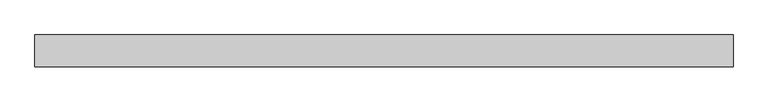
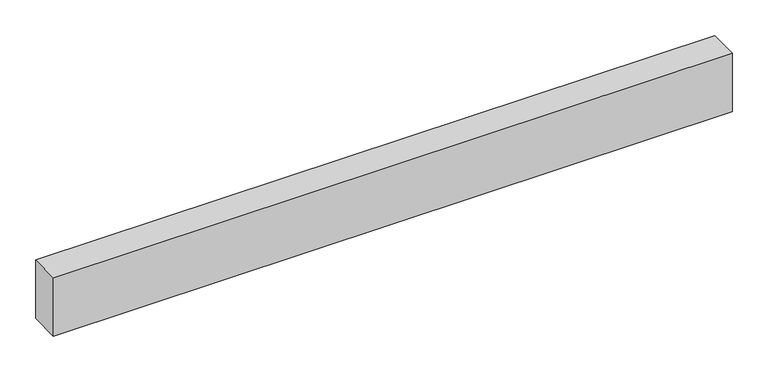
"""IFC4 building model written with IfcOpenShell, lengths in millimetres: beam geometry."""

from ifc_helpers import new_model, si_unit, frame, origin, place, context, project, spatial, polyline, outline, extrude, source, transform, mapped, element, save


def beam_36838756(model_context):
    return source(origin(), model_context, "Body", "SweptSolid", [
        extrude(outline(polyline([(550.0, 25.0), (550.0, -25.0), (-550.0, -25.0), (-550.0, 25.0), (550.0, 25.0)])), frame((0.0, 0.0, -50.0), z_axis=(0.0, 0.0, 1.0), x_axis=(1.0, 0.0, 0.0)), (0.0, 0.0, 1.0), 100.0),
    ])


if __name__ == "__main__":
    model = new_model("IFC4")
    model_context = context("Model", 3, world=origin())
    ifc_project = project(units=[si_unit("LENGTHUNIT", "METRE", prefix="MILLI")], contexts=[model_context])
    site = spatial("IfcSite", under=ifc_project)
    building = spatial("IfcBuilding", under=site)
    placement = place(None, origin())
    beam_shape = beam_36838756(model_context)
    element("IfcBeam", 1, at=placement, inside=building, context=model_context, shape_type="MappedRepresentation", body=[
        mapped(beam_shape, transform((0.0, 0.0, 0.0), x_axis=(1.0, 0.0, 0.0), y_axis=(0.0, 1.0, 0.0), z_axis=(0.0, 0.0, 1.0))),
    ])
    save(model, "model.ifc")
